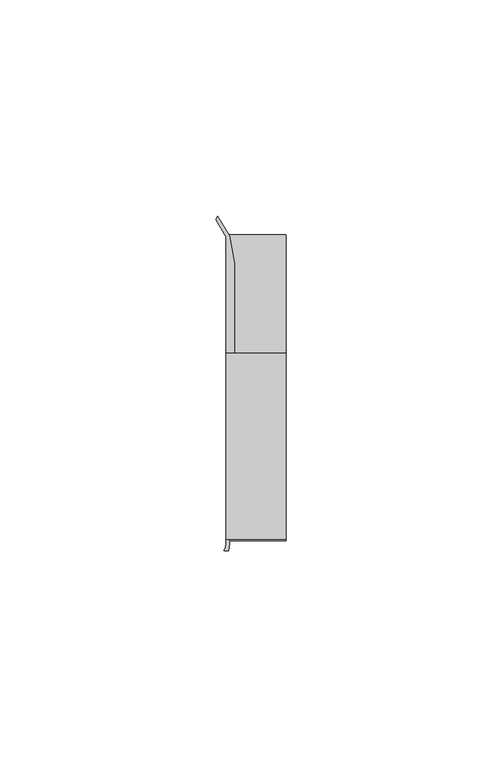
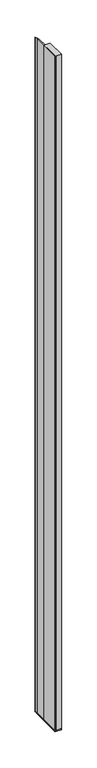
"""IFC4 building model written with IfcOpenShell, lengths in millimetres: furniture geometry."""

from ifc_helpers import new_model, si_unit, point, frame, frame_2d, origin, place, context, project, spatial, polyline, circle_curve, trimmed, segment, composite_curve, outline, extrude, source, transform, mapped, element, save


def furniture_7d789535(model_context):
    return source(origin(), model_context, "Body", "SweptSolid", [
        extrude(outline(polyline([(31.9660873, 18.9594777), (31.9660873, -24.0995273), (18.0754623, -24.0995273), (18.0754623, 18.9594777), (31.9660873, 18.9594777)])), frame((0.0, 0.0, 513.1992824), z_axis=(0.0, 0.0, 1.0), x_axis=(1.0, 0.0, 0.0)), (0.0, 0.0, 1.0), 1588.6507176),
        extrude(outline(composite_curve([segment(polyline([(16.1635657, 50.6802202), (18.9314847, 46.0995711), (20.0632119, 39.6814262), (20.0632119, 18.9594777), (18.8191063, 18.9594777), (18.8191063, -23.2485144), (31.9660873, -23.2485144), (31.2224462, -24.0995273), (18.7989737, -24.0995273)]), True, "CONTINUOUS"), segment(trimmed(circle_curve(frame_2d((14.8541445, -25.0314921)), 4.0534227), [point((18.7989737, -24.0995273))], [point((18.9075389, -25.0466572))], False, "CARTESIAN"), True, "CONTINUOUS"), segment(trimmed(circle_curve(frame_2d((12.1306413, -24.765085)), 6.7827446), [point((18.9075389, -25.0466572))], [point((18.6374949, -26.6798903))], False, "CARTESIAN"), True, "CONTINUOUS"), segment(polyline([(18.6374949, -26.6798903), (17.6611556, -26.683687)]), True, "CONTINUOUS"), segment(trimmed(circle_curve(frame_2d((12.0703756, -24.4226588)), 6.0306773), [point((17.6611556, -26.683687))], [point((18.0754623, -24.9776388))], True, "CARTESIAN"), True, "CONTINUOUS"), segment(polyline([(18.0754623, -24.9776388), (18.0754623, 45.8886719), (15.7452137, 49.8958113), (16.1635657, 50.6802202)]), True, "CONTINUOUS")], self_intersect=False)), frame((0.0, 0.0, 513.1992824), z_axis=(0.0, 0.0, 1.0), x_axis=(1.0, 0.0, 0.0)), (0.0, 0.0, 1.0), 1588.6507176),
        extrude(outline(polyline([(18.0754623, -24.0995273), (18.0754623, 46.6824219), (31.9660873, 46.6824219), (31.9660873, -24.0995273), (18.0754623, -24.0995273)])), frame((0.0, 0.0, 510.667), z_axis=(0.0, 0.0, 1.0), x_axis=(1.0, 0.0, 0.0)), (0.0, 0.0, 1.0), 2.5322824),
    ])


if __name__ == "__main__":
    model = new_model("IFC4")
    model_context = context("Model", 3, world=origin())
    ifc_project = project(units=[si_unit("LENGTHUNIT", "METRE", prefix="MILLI")], contexts=[model_context])
    site = spatial("IfcSite", under=ifc_project)
    building = spatial("IfcBuilding", under=site)
    placement = place(None, origin())
    furniture_shape = furniture_7d789535(model_context)
    element("IfcFurniture", 1, at=placement, inside=building, context=model_context, shape_type="MappedRepresentation", body=[
        mapped(furniture_shape, transform((0.0, 0.0, 0.0), x_axis=(1.0, 0.0, 0.0), y_axis=(0.0, 1.0, 0.0), z_axis=(0.0, 0.0, 1.0))),
    ])
    save(model, "model.ifc")
